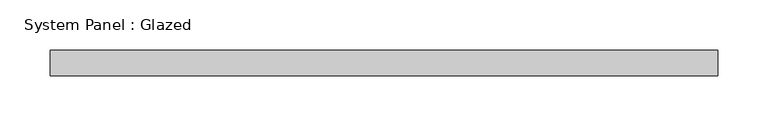
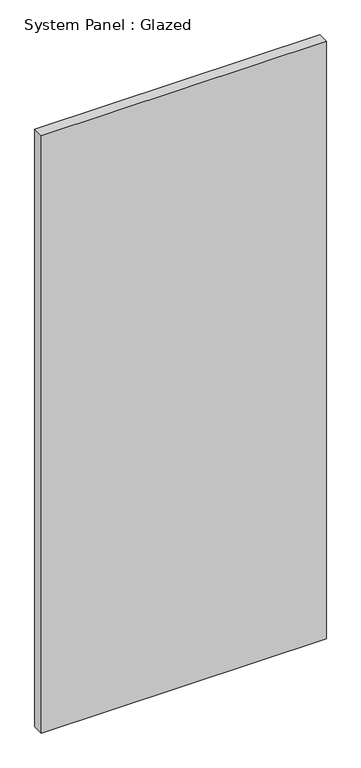
"""IFC4 building model written with IfcOpenShell, lengths in millimetres: plate geometry, System Panel : Glazed."""

from ifc_helpers import new_model, si_unit, origin, origin_with_axes, place, context, project, spatial, polyline, outline, extrude, source, transform, mapped, element, save


def system_panel_glazed_19e8faaa(model_context):
    return source(origin(), model_context, "Body", "SweptSolid", [
        extrude(outline(polyline([(331.2583333, -44.45), (-331.2583333, -44.45), (-331.2583333, -19.05), (331.2583333, -19.05), (331.2583333, -44.45)])), origin_with_axes(), (0.0, 0.0, 1.0), 1466.85),
    ])


if __name__ == "__main__":
    model = new_model("IFC4")
    model_context = context("Model", 3, world=origin())
    ifc_project = project(units=[si_unit("LENGTHUNIT", "METRE", prefix="MILLI")], contexts=[model_context])
    site = spatial("IfcSite", under=ifc_project)
    building = spatial("IfcBuilding", under=site)
    placement = place(None, origin())
    system_panel_glazed_shape = system_panel_glazed_19e8faaa(model_context)
    element("IfcPlate", 1, ObjectType="System Panel : Glazed", at=placement, inside=building, context=model_context, shape_type="MappedRepresentation", body=[
        mapped(system_panel_glazed_shape, transform((0.0, 0.0, 0.0), x_axis=(1.0, 0.0, 0.0), y_axis=(0.0, 1.0, 0.0), z_axis=(0.0, 0.0, 1.0))),
    ])
    save(model, "model.ifc")
